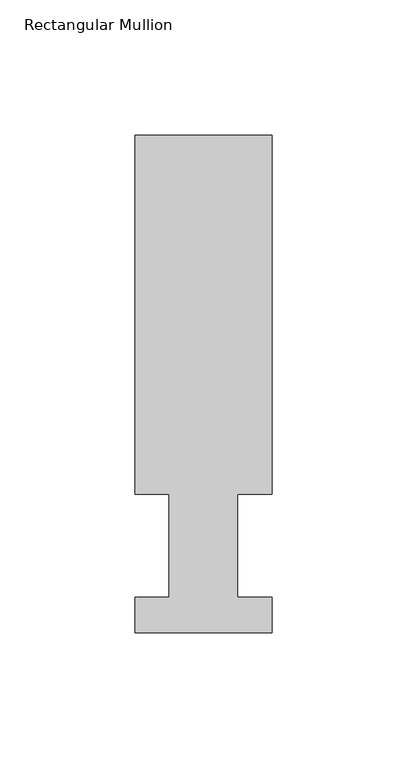
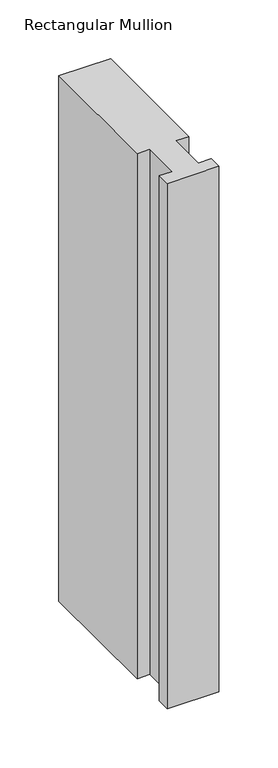
"""IFC4 building model written with IfcOpenShell, lengths in millimetres: member geometry, Rectangular Mullion."""

from ifc_helpers import new_model, si_unit, frame, origin, place, context, project, spatial, polyline, outline, extrude, source, transform, mapped, element, save


def rectangular_mullion_2fa42883(model_context):
    return source(origin(), model_context, "Body", "SweptSolid", [
        extrude(outline(polyline([(-50.8, 13.1960937), (-38.1, 13.1960937), (-38.1, 51.2960938), (-50.8, 51.2960937), (-50.8, 184.2396937), (0.0, 184.2396937), (0.0, 51.2960938), (-12.7, 51.2960937), (-12.7, 13.1960937), (0.0, 13.1960937), (0.0, 0.0134937), (-50.8, 0.0134937), (-50.8, 13.1960937)])), frame((0.0, 0.0, -545.3093556), z_axis=(0.0, 0.0, 1.0), x_axis=(1.0, 0.0, 0.0)), (0.0, 0.0, 1.0), 545.3093556),
    ])


if __name__ == "__main__":
    model = new_model("IFC4")
    model_context = context("Model", 3, world=origin())
    ifc_project = project(units=[si_unit("LENGTHUNIT", "METRE", prefix="MILLI")], contexts=[model_context])
    site = spatial("IfcSite", under=ifc_project)
    building = spatial("IfcBuilding", under=site)
    placement = place(None, origin())
    rectangular_mullion_shape = rectangular_mullion_2fa42883(model_context)
    element("IfcMember", 1, ObjectType="Rectangular Mullion", at=placement, inside=building, context=model_context, shape_type="MappedRepresentation", body=[
        mapped(rectangular_mullion_shape, transform((0.0, 0.0, 0.0), x_axis=(1.0, 0.0, 0.0), y_axis=(0.0, 1.0, 0.0), z_axis=(0.0, 0.0, 1.0))),
    ])
    save(model, "model.ifc")
